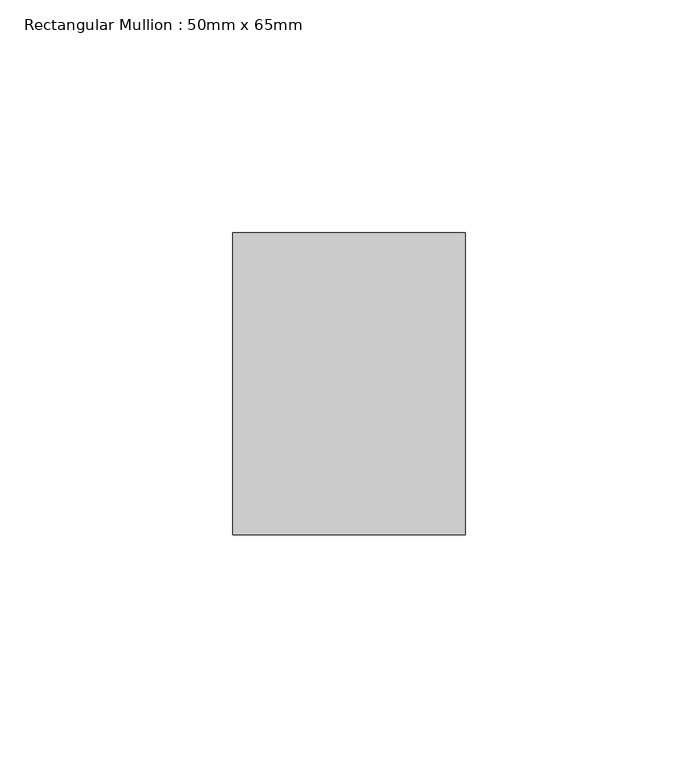
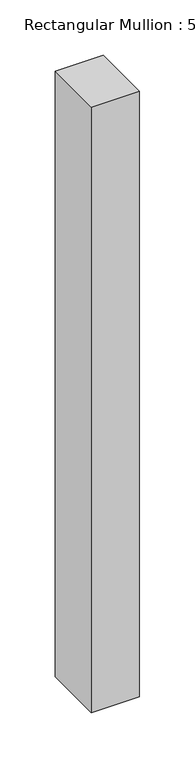
"""IFC4 building model written with IfcOpenShell, lengths in millimetres: member geometry, Rectangular Mullion : 50mm x 65mm."""

from ifc_helpers import new_model, si_unit, frame, origin, place, context, project, spatial, polyline, outline, extrude, source, transform, mapped, element, save


def rectangular_mullion_50mm_x_65mm_f7e44ba0(model_context):
    return source(origin(), model_context, "Body", "SweptSolid", [
        extrude(outline(polyline([(25.0, 32.5), (25.0, -32.5), (-25.0, -32.5), (-25.0, 32.5), (25.0, 32.5)])), frame((0.0, 0.0, -667.5404465), z_axis=(0.0, 0.0, 1.0), x_axis=(1.0, 0.0, 0.0)), (0.0, 0.0, 1.0), 667.5404465),
    ])


if __name__ == "__main__":
    model = new_model("IFC4")
    model_context = context("Model", 3, world=origin())
    ifc_project = project(units=[si_unit("LENGTHUNIT", "METRE", prefix="MILLI")], contexts=[model_context])
    site = spatial("IfcSite", under=ifc_project)
    building = spatial("IfcBuilding", under=site)
    placement = place(None, origin())
    rectangular_mullion_50mm_x_65mm_shape = rectangular_mullion_50mm_x_65mm_f7e44ba0(model_context)
    element("IfcMember", 1, ObjectType="Rectangular Mullion : 50mm x 65mm", at=placement, inside=building, context=model_context, shape_type="MappedRepresentation", body=[
        mapped(rectangular_mullion_50mm_x_65mm_shape, transform((0.0, 0.0, 0.0), x_axis=(1.0, 0.0, 0.0), y_axis=(0.0, 1.0, 0.0), z_axis=(0.0, 0.0, 1.0))),
    ])
    save(model, "model.ifc")
